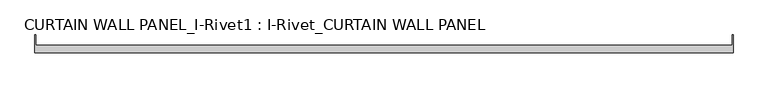
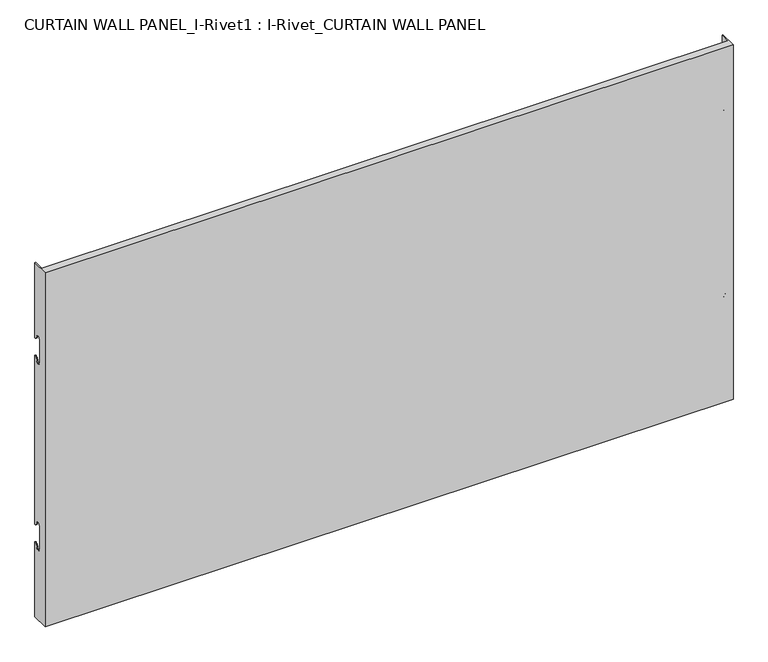
"""IFC4 building model written with IfcOpenShell, lengths in millimetres: plate geometry, CURTAIN WALL PANEL_I-Rivet1 : I-Rivet_CURTAIN WALL PANEL."""

from ifc_helpers import new_model, si_unit, frame, origin, place, context, project, spatial, polyline, circle_curve, source, transform, mapped, element, save
from ifc_brep_helpers import plane_surface, cylinder_surface, revolved_surface, advanced_brep


def curtain_wall_panel_i_rivet1_i_rivet_curtain_wall_panel_f715e952(model_context):
    return source(origin(), model_context, "Body", "AdvancedBrep", [
        advanced_brep(
        [(-776.496733, -85.0, 845.0), (776.496733, -85.0, 845.0), (776.496733, -45.3384103, 845.0), (774.496733, -45.3384103, 845.0), (774.496733, -68.0, 845.0), (-774.496733, -68.0, 845.0), (-774.496733, -45.3384103, 845.0), (-776.496733, -45.3384103, 845.0), (-776.496733, -85.0, 0.0), (-776.496733, -45.3384103, 0.0), (-774.496733, -45.3384103, 0.0), (-774.496733, -68.0, 0.0), (774.496733, -68.0, 0.0), (774.496733, -45.3384103, 0.0), (776.496733, -45.3384103, 0.0), (776.496733, -85.0, 0.0), (-776.496733, -45.3384103, 666.0), (-776.496733, -52.3384103, 673.0), (-776.496733, -63.3384103, 673.0), (-776.496733, -63.3384103, 617.0), (-776.496733, -52.3384103, 617.0), (-776.496733, -45.3384103, 624.0), (-776.496733, -45.3384103, 221.0), (-776.496733, -52.3384103, 228.0), (-776.496733, -63.3384103, 228.0), (-776.496733, -63.3384103, 172.0), (-776.496733, -52.3384103, 172.0), (-776.496733, -45.3384103, 179.0), (-774.496733, -45.3384103, 179.0), (-774.496733, -45.3384103, 624.0), (-774.496733, -45.3384103, 221.0), (-774.496733, -45.3384103, 666.0), (776.496733, -45.3384103, 666.0), (774.496733, -45.3384103, 666.0), (774.496733, -45.3384103, 179.0), (776.496733, -45.3384103, 179.0), (774.496733, -45.3384103, 221.0), (774.496733, -45.3384103, 624.0), (776.496733, -45.3384103, 624.0), (776.496733, -45.3384103, 221.0), (776.496733, -52.3384103, 172.0), (776.496733, -63.3384103, 172.0), (776.496733, -63.3384103, 228.0), (776.496733, -52.3384103, 228.0), (776.496733, -52.3384103, 617.0), (776.496733, -63.3384103, 617.0), (776.496733, -63.3384103, 673.0), (776.496733, -52.3384103, 673.0), (-774.496733, -52.3384103, 172.0), (-774.496733, -63.3384103, 172.0), (-774.496733, -63.3384103, 228.0), (-774.496733, -52.3384103, 228.0), (-774.496733, -52.3384103, 617.0), (-774.496733, -63.3384103, 617.0), (-774.496733, -63.3384103, 673.0), (-774.496733, -52.3384103, 673.0), (774.496733, -52.3384103, 673.0), (774.496733, -63.3384103, 673.0), (774.496733, -63.3384103, 617.0), (774.496733, -52.3384103, 617.0), (774.496733, -52.3384103, 228.0), (774.496733, -63.3384103, 228.0), (774.496733, -63.3384103, 172.0), (774.496733, -52.3384103, 172.0)],
        [
            (0, 1),
            (1, 2),
            (2, 3),
            (3, 4),
            (4, 5),
            (5, 6),
            (6, 7),
            (7, 0),
            (8, 9),
            (9, 10),
            (10, 11),
            (11, 12),
            (12, 13),
            (13, 14),
            (14, 15),
            (15, 8),
            (7, 16),
            (16, 17, circle_curve(frame((-776.496733, -45.3384103, 673.0), z_axis=(-1.0, 0.0, 0.0), x_axis=(0.0, -1.0, 0.0)), 7.0)),
            (17, 18, circle_curve(frame((-776.496733, -57.8384103, 673.0), z_axis=(1.0, 0.0, 0.0), x_axis=(0.0, -1.0, 0.0)), 5.5)),
            (18, 19),
            (19, 20, circle_curve(frame((-776.496733, -57.8384103, 617.0), z_axis=(1.0, 0.0, 0.0), x_axis=(0.0, -1.0, 0.0)), 5.5)),
            (20, 21, circle_curve(frame((-776.496733, -45.3384103, 617.0), z_axis=(-1.0, 0.0, 0.0), x_axis=(0.0, -1.0, 0.0)), 7.0)),
            (21, 22),
            (22, 23, circle_curve(frame((-776.496733, -45.3384103, 228.0), z_axis=(-1.0, 0.0, 0.0), x_axis=(0.0, -1.0, 0.0)), 7.0)),
            (23, 24, circle_curve(frame((-776.496733, -57.8384103, 228.0), z_axis=(1.0, 0.0, 0.0), x_axis=(0.0, -1.0, 0.0)), 5.5)),
            (24, 25),
            (25, 26, circle_curve(frame((-776.496733, -57.8384103, 172.0), z_axis=(1.0, 0.0, 0.0), x_axis=(0.0, -1.0, 0.0)), 5.5)),
            (26, 27, circle_curve(frame((-776.496733, -45.3384103, 172.0), z_axis=(-1.0, 0.0, 0.0), x_axis=(0.0, -1.0, 0.0)), 7.0)),
            (27, 9),
            (8, 0),
            (27, 28),
            (28, 10),
            (21, 29),
            (29, 30),
            (30, 22),
            (6, 31),
            (31, 16),
            (2, 32),
            (32, 33),
            (33, 3),
            (13, 34),
            (34, 35),
            (35, 14),
            (36, 37),
            (37, 38),
            (38, 39),
            (39, 36),
            (1, 15),
            (35, 40, circle_curve(frame((776.496733, -45.3384103, 172.0), z_axis=(1.0, 0.0, 0.0), x_axis=(0.0, -1.0, 0.0)), 7.0)),
            (40, 41, circle_curve(frame((776.496733, -57.8384103, 172.0), z_axis=(-1.0, 0.0, 0.0), x_axis=(0.0, -1.0, 0.0)), 5.5)),
            (41, 42),
            (42, 43, circle_curve(frame((776.496733, -57.8384103, 228.0), z_axis=(-1.0, 0.0, 0.0), x_axis=(0.0, -1.0, 0.0)), 5.5)),
            (43, 39, circle_curve(frame((776.496733, -45.3384103, 228.0), z_axis=(1.0, 0.0, 0.0), x_axis=(0.0, -1.0, 0.0)), 7.0)),
            (38, 44, circle_curve(frame((776.496733, -45.3384103, 617.0), z_axis=(1.0, 0.0, 0.0), x_axis=(0.0, -1.0, 0.0)), 7.0)),
            (44, 45, circle_curve(frame((776.496733, -57.8384103, 617.0), z_axis=(-1.0, 0.0, 0.0), x_axis=(0.0, -1.0, 0.0)), 5.5)),
            (45, 46),
            (46, 47, circle_curve(frame((776.496733, -57.8384103, 673.0), z_axis=(-1.0, 0.0, 0.0), x_axis=(0.0, -1.0, 0.0)), 5.5)),
            (47, 32, circle_curve(frame((776.496733, -45.3384103, 673.0), z_axis=(1.0, 0.0, 0.0), x_axis=(0.0, -1.0, 0.0)), 7.0)),
            (5, 11),
            (28, 48, circle_curve(frame((-774.496733, -45.3384103, 172.0), z_axis=(1.0, 0.0, 0.0), x_axis=(0.0, -1.0, 0.0)), 7.0)),
            (48, 49, circle_curve(frame((-774.496733, -57.8384103, 172.0), z_axis=(-1.0, 0.0, 0.0), x_axis=(0.0, -1.0, 0.0)), 5.5)),
            (49, 50),
            (50, 51, circle_curve(frame((-774.496733, -57.8384103, 228.0), z_axis=(-1.0, 0.0, 0.0), x_axis=(0.0, -1.0, 0.0)), 5.5)),
            (51, 30, circle_curve(frame((-774.496733, -45.3384103, 228.0), z_axis=(1.0, 0.0, 0.0), x_axis=(0.0, -1.0, 0.0)), 7.0)),
            (29, 52, circle_curve(frame((-774.496733, -45.3384103, 617.0), z_axis=(1.0, 0.0, 0.0), x_axis=(0.0, -1.0, 0.0)), 7.0)),
            (52, 53, circle_curve(frame((-774.496733, -57.8384103, 617.0), z_axis=(-1.0, 0.0, 0.0), x_axis=(0.0, -1.0, 0.0)), 5.5)),
            (53, 54),
            (54, 55, circle_curve(frame((-774.496733, -57.8384103, 673.0), z_axis=(-1.0, 0.0, 0.0), x_axis=(0.0, -1.0, 0.0)), 5.5)),
            (55, 31, circle_curve(frame((-774.496733, -45.3384103, 673.0), z_axis=(1.0, 0.0, 0.0), x_axis=(0.0, -1.0, 0.0)), 7.0)),
            (33, 56, circle_curve(frame((774.496733, -45.3384103, 673.0), z_axis=(-1.0, 0.0, 0.0), x_axis=(0.0, -1.0, 0.0)), 7.0)),
            (56, 57, circle_curve(frame((774.496733, -57.8384103, 673.0), z_axis=(1.0, 0.0, 0.0), x_axis=(0.0, -1.0, 0.0)), 5.5)),
            (57, 58),
            (58, 59, circle_curve(frame((774.496733, -57.8384103, 617.0), z_axis=(1.0, 0.0, 0.0), x_axis=(0.0, -1.0, 0.0)), 5.5)),
            (59, 37, circle_curve(frame((774.496733, -45.3384103, 617.0), z_axis=(-1.0, 0.0, 0.0), x_axis=(0.0, -1.0, 0.0)), 7.0)),
            (36, 60, circle_curve(frame((774.496733, -45.3384103, 228.0), z_axis=(-1.0, 0.0, 0.0), x_axis=(0.0, -1.0, 0.0)), 7.0)),
            (60, 61, circle_curve(frame((774.496733, -57.8384103, 228.0), z_axis=(1.0, 0.0, 0.0), x_axis=(0.0, -1.0, 0.0)), 5.5)),
            (61, 62),
            (62, 63, circle_curve(frame((774.496733, -57.8384103, 172.0), z_axis=(1.0, 0.0, 0.0), x_axis=(0.0, -1.0, 0.0)), 5.5)),
            (63, 34, circle_curve(frame((774.496733, -45.3384103, 172.0), z_axis=(-1.0, 0.0, 0.0), x_axis=(0.0, -1.0, 0.0)), 7.0)),
            (12, 4),
            (41, 62),
            (61, 42),
            (49, 25),
            (24, 50),
            (40, 63),
            (48, 26),
            (51, 23),
            (43, 60),
            (18, 54),
            (53, 19),
            (57, 46),
            (45, 58),
            (17, 55),
            (56, 47),
            (59, 44),
            (20, 52),
        ],
        [
            plane_surface(frame((-776.496733, -45.3384103, 845.0), z_axis=(0.0, 0.0, 1.0), x_axis=(0.0, 1.0, 0.0))),
            plane_surface(frame((-776.496733, -45.3384103, 0.0), z_axis=(0.0, 0.0, -1.0), x_axis=(0.0, -1.0, 0.0))),
            plane_surface(frame((-776.496733, -85.0, 845.0), z_axis=(-1.0, 0.0, 0.0), x_axis=(0.0, 0.0, -1.0))),
            plane_surface(frame((-776.496733, -45.3384103, 845.0), z_axis=(0.0, 1.0, 0.0), x_axis=(0.0, 0.0, -1.0))),
            plane_surface(frame((774.496733, -45.3384103, 845.0), z_axis=(0.0, 1.0, 0.0), x_axis=(0.0, 0.0, -1.0))),
            plane_surface(frame((776.496733, -45.3384103, 845.0), z_axis=(1.0, 0.0, 0.0), x_axis=(0.0, 0.0, -1.0))),
            plane_surface(frame((776.496733, -85.0, 845.0), z_axis=(0.0, -1.0, 0.0), x_axis=(0.0, 0.0, -1.0))),
            plane_surface(frame((-774.496733, -45.3384103, 845.0), z_axis=(1.0, 0.0, 0.0), x_axis=(0.0, 0.0, -1.0))),
            plane_surface(frame((774.496733, -68.0, 845.0), z_axis=(-1.0, 0.0, 0.0), x_axis=(0.0, 0.0, -1.0))),
            plane_surface(frame((-775.496733, -68.0, 845.0), z_axis=(0.0, 1.0, 0.0), x_axis=(0.0, 0.0, -1.0))),
            plane_surface(frame((-776.496733, -63.3384103, 228.0), z_axis=(0.0, 1.0, 0.0), x_axis=(1.0, 0.0, 0.0))),
            revolved_surface(polyline([(774.496733, -63.3384103, 172.0), (776.496733, -63.3384103, 172.0)]), (-776.496733, -57.8384103, 172.0), (-1.0, 0.0, 0.0)),
            revolved_surface(polyline([(-776.496733, -63.3384103, 172.0), (-774.496733, -63.3384103, 172.0)]), (-776.496733, -57.8384103, 172.0), (-1.0, 0.0, 0.0)),
            cylinder_surface(frame((-776.496733, -45.3384103, 172.0), z_axis=(1.0, 0.0, 0.0), x_axis=(0.0, -1.0, 0.0)), 7.0),
            cylinder_surface(frame((-776.496733, -45.3384103, 228.0), z_axis=(1.0, 0.0, 0.0), x_axis=(0.0, -1.0, 0.0)), 7.0),
            revolved_surface(polyline([(-776.496733, -63.3384103, 228.0), (-774.496733, -63.3384103, 228.0)]), (-776.496733, -57.8384103, 228.0), (-1.0, 0.0, 0.0)),
            revolved_surface(polyline([(774.496733, -63.3384103, 228.0), (776.496733, -63.3384103, 228.0)]), (-776.496733, -57.8384103, 228.0), (-1.0, 0.0, 0.0)),
            plane_surface(frame((776.496733, -63.3384103, 617.0), z_axis=(0.0, 1.0, 0.0), x_axis=(-1.0, 0.0, 0.0))),
            revolved_surface(polyline([(-774.496733, -63.3384103, 673.0), (-776.496733, -63.3384103, 673.0)]), (776.496733, -57.8384103, 673.0), (1.0, 0.0, 0.0)),
            revolved_surface(polyline([(776.496733, -63.3384103, 673.0), (774.496733, -63.3384103, 673.0)]), (776.496733, -57.8384103, 673.0), (1.0, 0.0, 0.0)),
            cylinder_surface(frame((776.496733, -45.3384103, 673.0), z_axis=(-1.0, 0.0, 0.0), x_axis=(0.0, -1.0, 0.0)), 7.0),
            cylinder_surface(frame((776.496733, -45.3384103, 617.0), z_axis=(-1.0, 0.0, 0.0), x_axis=(0.0, -1.0, 0.0)), 7.0),
            revolved_surface(polyline([(776.496733, -63.3384103, 617.0), (774.496733, -63.3384103, 617.0)]), (776.496733, -57.8384103, 617.0), (1.0, 0.0, 0.0)),
            revolved_surface(polyline([(-774.496733, -63.3384103, 617.0), (-776.496733, -63.3384103, 617.0)]), (776.496733, -57.8384103, 617.0), (1.0, 0.0, 0.0)),
        ],
        [
            (0, [[1, 2, 3, 4, 5, 6, 7, 8]]),
            (1, [[9, 10, 11, 12, 13, 14, 15, 16]]),
            (2, [[17, 18, 19, 20, 21, 22, 23, 24, 25, 26, 27, 28, 29, -9, 30, -8]]),
            (3, [[-29, 31, 32, -10]]),
            (3, [[-23, 33, 34, 35]]),
            (3, [[36, 37, -17, -7]]),
            (4, [[38, 39, 40, -3]]),
            (4, [[41, 42, 43, -14]]),
            (4, [[44, 45, 46, 47]]),
            (5, [[48, -15, -43, 49, 50, 51, 52, 53, -46, 54, 55, 56, 57, 58, -38, -2]]),
            (6, [[-30, -16, -48, -1]]),
            (7, [[59, -11, -32, 60, 61, 62, 63, 64, -34, 65, 66, 67, 68, 69, -36, -6]]),
            (8, [[-40, 70, 71, 72, 73, 74, -44, 75, 76, 77, 78, 79, -41, -13, 80, -4]]),
            (9, [[-80, -12, -59, -5]]),
            (10, [[-51, 81, -77, 82]]),
            (10, [[-62, 83, -26, 84]]),
            (11, [[-50, 85, -78, -81]]),
            (12, [[-61, 86, -27, -83]]),
            (13, [[-49, -42, -79, -85]]),
            (13, [[-60, -31, -28, -86]]),
            (14, [[-24, -35, -64, 87]]),
            (14, [[-75, -47, -53, 88]]),
            (15, [[-25, -87, -63, -84]]),
            (16, [[-76, -88, -52, -82]]),
            (17, [[-20, 89, -67, 90]]),
            (17, [[-72, 91, -56, 92]]),
            (18, [[-19, 93, -68, -89]]),
            (19, [[-71, 94, -57, -91]]),
            (20, [[-18, -37, -69, -93]]),
            (20, [[-70, -39, -58, -94]]),
            (21, [[-54, -45, -74, 95]]),
            (21, [[-65, -33, -22, 96]]),
            (22, [[-55, -95, -73, -92]]),
            (23, [[-66, -96, -21, -90]]),
        ],
    ),
    ])


if __name__ == "__main__":
    model = new_model("IFC4")
    model_context = context("Model", 3, world=origin())
    ifc_project = project(units=[si_unit("LENGTHUNIT", "METRE", prefix="MILLI")], contexts=[model_context])
    site = spatial("IfcSite", under=ifc_project)
    building = spatial("IfcBuilding", under=site)
    placement = place(None, origin())
    curtain_wall_panel_i_rivet1_i_rivet_curtain_wall_panel_shape = curtain_wall_panel_i_rivet1_i_rivet_curtain_wall_panel_f715e952(model_context)
    element("IfcPlate", 1, ObjectType="CURTAIN WALL PANEL_I-Rivet1 : I-Rivet_CURTAIN WALL PANEL", at=placement, inside=building, context=model_context, shape_type="MappedRepresentation", body=[
        mapped(curtain_wall_panel_i_rivet1_i_rivet_curtain_wall_panel_shape, transform((0.0, 0.0, 0.0), x_axis=(1.0, 0.0, 0.0), y_axis=(0.0, 1.0, 0.0), z_axis=(0.0, 0.0, 1.0))),
    ])
    save(model, "model.ifc")
